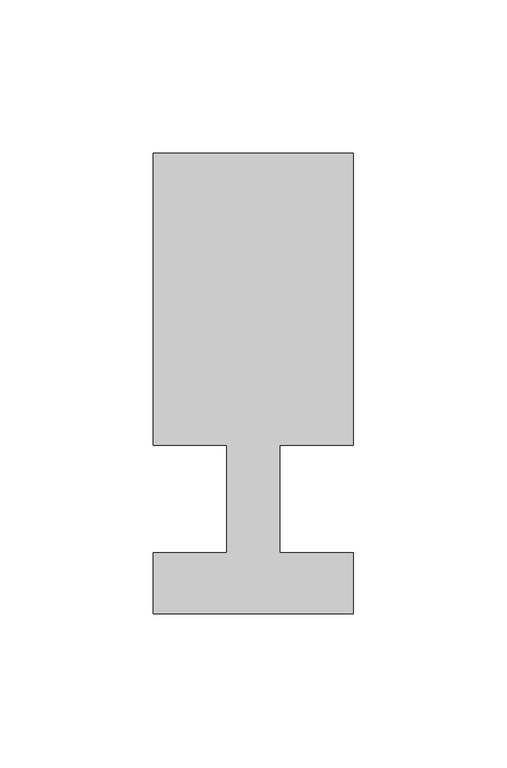
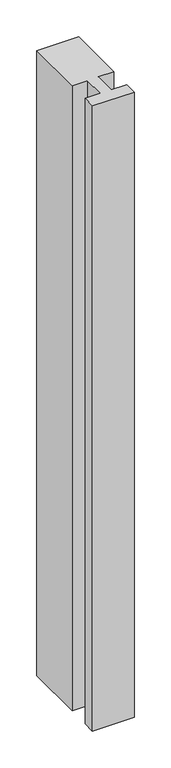
"""IFC4 building model written with IfcOpenShell, lengths in millimetres: member geometry."""

from ifc_helpers import new_model, si_unit, frame, origin, place, context, project, spatial, polyline, outline, extrude, source, transform, mapped, element, save


def member_f3bb5876(model_context):
    return source(origin(), model_context, "Body", "SweptSolid", [
        extrude(outline(polyline([(-65.0, -37.0), (-65.0, -17.0), (-41.1875, -17.0), (-41.1875, 18.0), (-65.0, 18.0), (-65.0, 113.0), (0.0, 113.0), (0.0, 18.0), (-23.8125, 18.0), (-23.8125, -17.0), (0.0, -17.0), (0.0, -37.0), (-65.0, -37.0)])), frame((0.0, 0.0, -1032.5), z_axis=(0.0, 0.0, 1.0), x_axis=(1.0, 0.0, 0.0)), (0.0, 0.0, 1.0), 1032.5),
    ])


if __name__ == "__main__":
    model = new_model("IFC4")
    model_context = context("Model", 3, world=origin())
    ifc_project = project(units=[si_unit("LENGTHUNIT", "METRE", prefix="MILLI")], contexts=[model_context])
    site = spatial("IfcSite", under=ifc_project)
    building = spatial("IfcBuilding", under=site)
    placement = place(None, origin())
    member_shape = member_f3bb5876(model_context)
    element("IfcMember", 1, at=placement, inside=building, context=model_context, shape_type="MappedRepresentation", body=[
        mapped(member_shape, transform((0.0, 0.0, 0.0), x_axis=(1.0, 0.0, 0.0), y_axis=(0.0, 1.0, 0.0), z_axis=(0.0, 0.0, 1.0))),
    ])
    save(model, "model.ifc")
